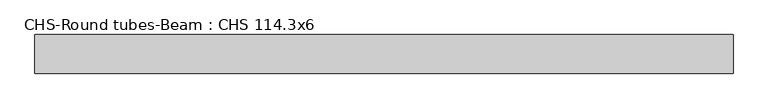
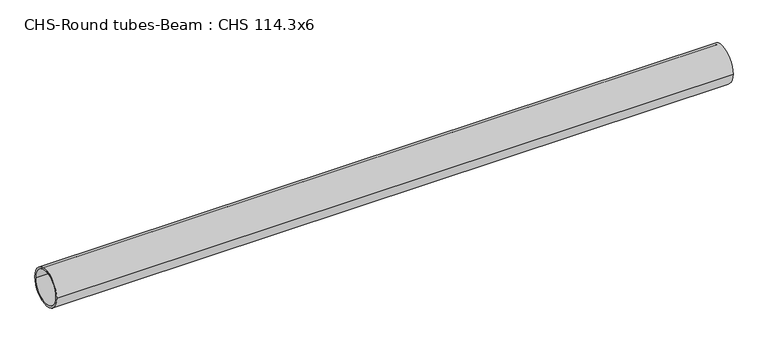
"""IFC4 building model written with IfcOpenShell, lengths in millimetres: beam geometry, CHS-Round tubes-Beam : CHS 114.3x6."""

from ifc_helpers import new_model, si_unit, point, frame, origin, origin_2d, place, context, project, spatial, circle_curve, trimmed, segment, composite_curve, outline, extrude, source, transform, mapped, element, save


def chs_round_tubes_beam_chs_114_3x6_9b026235(model_context):
    return source(origin(), model_context, "Body", "SweptSolid", [
        extrude(outline(composite_curve([segment(trimmed(circle_curve(origin_2d(), 57.15), [point((57.15, 0.0))], [point((-57.15, 0.0))], False, "CARTESIAN"), True, "CONTINUOUS"), segment(trimmed(circle_curve(origin_2d(), 57.15), [point((-57.15, 0.0))], [point((57.15, 0.0))], False, "CARTESIAN"), True, "CONTINUOUS")], self_intersect=False), holes=[composite_curve([segment(trimmed(circle_curve(origin_2d(), 51.15), [point((51.15, 0.0))], [point((-51.15, 0.0))], True, "CARTESIAN"), True, "CONTINUOUS"), segment(trimmed(circle_curve(origin_2d(), 51.15), [point((-51.15, 0.0))], [point((51.15, 0.0))], True, "CARTESIAN"), True, "CONTINUOUS")], self_intersect=False)]), frame((-1001.1510963, 0.0, 0.0), z_axis=(1.0, 0.0, 0.0), x_axis=(0.0, 1.0, 0.0)), (0.0, 0.0, 1.0), 2064.462696),
    ])


if __name__ == "__main__":
    model = new_model("IFC4")
    model_context = context("Model", 3, world=origin())
    ifc_project = project(units=[si_unit("LENGTHUNIT", "METRE", prefix="MILLI")], contexts=[model_context])
    site = spatial("IfcSite", under=ifc_project)
    building = spatial("IfcBuilding", under=site)
    placement = place(None, origin())
    chs_round_tubes_beam_chs_114_3x6_shape = chs_round_tubes_beam_chs_114_3x6_9b026235(model_context)
    element("IfcBeam", 1, ObjectType="CHS-Round tubes-Beam : CHS 114.3x6", at=placement, inside=building, context=model_context, shape_type="MappedRepresentation", body=[
        mapped(chs_round_tubes_beam_chs_114_3x6_shape, transform((0.0, 0.0, 0.0), x_axis=(1.0, 0.0, 0.0), y_axis=(0.0, 1.0, 0.0), z_axis=(0.0, 0.0, 1.0))),
    ])
    save(model, "model.ifc")
